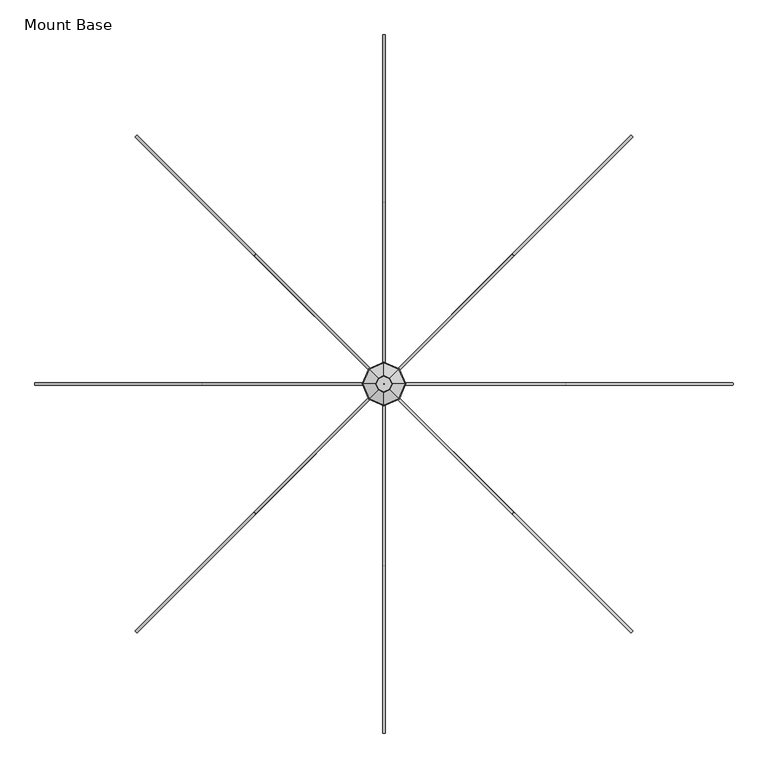
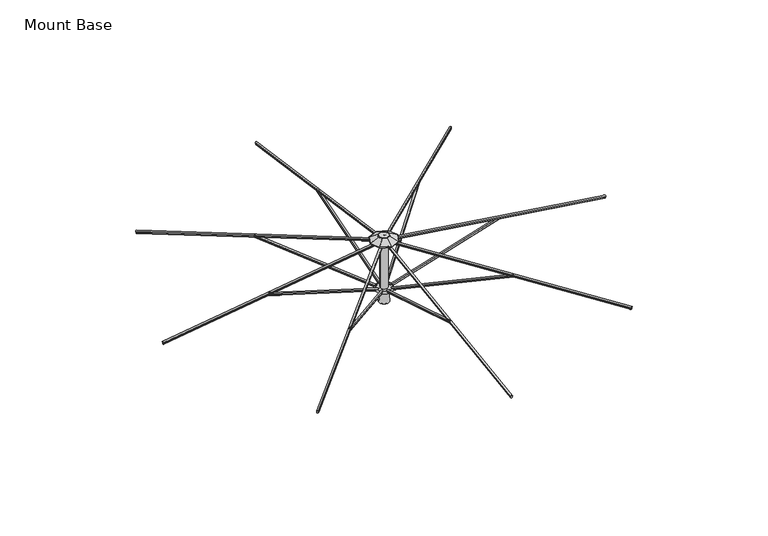
"""IFC4 building model written with IfcOpenShell, lengths in millimetres: furniture geometry, Mount Base."""

from ifc_helpers import new_model, si_unit, point, frame, frame_2d, origin, place, context, project, spatial, polyline, circle_curve, ellipse_curve, trimmed, segment, composite_curve, outline, extrude, source, transform, mapped, element, save
from ifc_brep_helpers import plane_surface, cylinder_surface, revolved_surface, advanced_brep


def mount_base_207df288(model_context):
    return source(origin(), model_context, "Body", "SolidModel", [
        extrude(outline(composite_curve([segment(polyline([(12.9834408, -8.4804821), (12.9834408, -22.8946348)]), True, "CONTINUOUS"), segment(trimmed(circle_curve(frame_2d((4.0299408, -22.8946348)), 8.9535), [point((12.9834408, -22.8946348))], [point((-4.9235592, -22.8946348))], False, "CARTESIAN"), True, "CONTINUOUS"), segment(polyline([(-4.9235592, -22.8946348), (-4.9235592, -8.4804821)]), True, "CONTINUOUS"), segment(trimmed(circle_curve(frame_2d((4.0299408, -8.4804821)), 8.9535), [point((-4.9235592, -8.4804821))], [point((12.9834408, -8.4804821))], False, "CARTESIAN"), True, "CONTINUOUS")], self_intersect=False)), frame((4.0299408, -80.7291366, 2210.4119042), z_axis=(0.0, -0.9556050341036998, 0.29465067248466775), x_axis=(-1.0, 0.0, 0.0)), (0.0, 0.0, 1.0), 1282.7),
        extrude(outline(composite_curve([segment(polyline([(12.9834408, -8.4804821), (12.9834408, -22.8946348)]), True, "CONTINUOUS"), segment(trimmed(circle_curve(frame_2d((4.0299408, -22.8946348)), 8.9535), [point((12.9834408, -22.8946348))], [point((-4.9235592, -22.8946348))], False, "CARTESIAN"), True, "CONTINUOUS"), segment(polyline([(-4.9235592, -22.8946348), (-4.9235592, -8.4804821)]), True, "CONTINUOUS"), segment(trimmed(circle_curve(frame_2d((4.0299408, -8.4804821)), 8.9535), [point((-4.9235592, -8.4804821))], [point((12.9834408, -8.4804821))], False, "CARTESIAN"), True, "CONTINUOUS")], self_intersect=False)), frame((-76.6991958, -8.0598816, 2210.4119042), z_axis=(-0.9556050341036998, 0.0, 0.2946506724846677), x_axis=(0.0, 1.0, 0.0)), (0.0, 0.0, 1.0), 1282.7),
        extrude(outline(composite_curve([segment(polyline([(12.9834408, -8.4804821), (12.9834408, -22.8946348)]), True, "CONTINUOUS"), segment(trimmed(circle_curve(frame_2d((4.0299408, -22.8946348)), 8.9535), [point((12.9834408, -22.8946348))], [point((-4.9235592, -22.8946348))], False, "CARTESIAN"), True, "CONTINUOUS"), segment(polyline([(-4.9235592, -22.8946348), (-4.9235592, -8.4804821)]), True, "CONTINUOUS"), segment(trimmed(circle_curve(frame_2d((4.0299408, -8.4804821)), 8.9535), [point((-4.9235592, -8.4804821))], [point((12.9834408, -8.4804821))], False, "CARTESIAN"), True, "CONTINUOUS")], self_intersect=False)), frame((-4.0299408, 72.669255, 2210.4119042), z_axis=(0.0, 0.9556050341036998, 0.29465067248466775), x_axis=(1.0, 0.0, 0.0)), (0.0, 0.0, 1.0), 1282.7),
        extrude(outline(composite_curve([segment(trimmed(circle_curve(frame_2d((4.0299408, 7.3267917)), 8.9535), [point((12.9834408, 7.3267917))], [point((-4.9235592, 7.3267917))], False, "CARTESIAN"), True, "CONTINUOUS"), segment(polyline([(-4.9235592, 7.3267917), (-4.9235592, 21.7411303)]), True, "CONTINUOUS"), segment(trimmed(circle_curve(frame_2d((4.0299408, 21.7411303)), 8.9535), [point((-4.9235592, 21.7411303))], [point((12.9834408, 21.7411303))], False, "CARTESIAN"), True, "CONTINUOUS"), segment(polyline([(12.9834408, 21.7411303), (12.9834408, 7.3267917)]), True, "CONTINUOUS")], self_intersect=False)), frame((4.0299408, -2484.9330303, 2419.0599415), z_axis=(0.0, 0.9898590532102846, 0.14205299988961545), x_axis=(-1.0, 0.0, 0.0)), (0.0, 0.0, 1.0), 2444.75),
        extrude(outline(composite_curve([segment(trimmed(circle_curve(frame_2d((4.0299408, 7.3267917)), 8.9535), [point((12.9834408, 7.3267917))], [point((-4.9235592, 7.3267917))], False, "CARTESIAN"), True, "CONTINUOUS"), segment(polyline([(-4.9235592, 7.3267917), (-4.9235592, 21.7411303)]), True, "CONTINUOUS"), segment(trimmed(circle_curve(frame_2d((4.0299408, 21.7411303)), 8.9535), [point((-4.9235592, 21.7411303))], [point((12.9834408, 21.7411303))], False, "CARTESIAN"), True, "CONTINUOUS"), segment(polyline([(12.9834408, 21.7411303), (12.9834408, 7.3267917)]), True, "CONTINUOUS")], self_intersect=False)), frame((-2480.9030895, -8.0598816, 2419.0599415), z_axis=(0.9898590532102846, 0.0, 0.14205299988961545), x_axis=(0.0, 1.0, 0.0)), (0.0, 0.0, 1.0), 2444.75),
        extrude(outline(composite_curve([segment(trimmed(circle_curve(frame_2d((4.0299408, 7.3267917)), 8.9535), [point((12.9834408, 7.3267917))], [point((-4.9235592, 7.3267917))], False, "CARTESIAN"), True, "CONTINUOUS"), segment(polyline([(-4.9235592, 7.3267917), (-4.9235592, 21.7411303)]), True, "CONTINUOUS"), segment(trimmed(circle_curve(frame_2d((4.0299408, 21.7411303)), 8.9535), [point((-4.9235592, 21.7411303))], [point((12.9834408, 21.7411303))], False, "CARTESIAN"), True, "CONTINUOUS"), segment(polyline([(12.9834408, 21.7411303), (12.9834408, 7.3267917)]), True, "CONTINUOUS")], self_intersect=False)), frame((-4.0299408, 2476.8731488, 2419.0599415), z_axis=(0.0, -0.9898590532102846, 0.14205299988961545), x_axis=(1.0, 0.0, 0.0)), (0.0, 0.0, 1.0), 2444.75),
        extrude(outline(composite_curve([segment(trimmed(circle_curve(frame_2d((4.0299408, 7.3267917)), 8.9535), [point((12.9834408, 7.3267917))], [point((-4.9235592, 7.3267917))], False, "CARTESIAN"), True, "CONTINUOUS"), segment(polyline([(-4.9235592, 7.3267917), (-4.9235592, 21.7411303)]), True, "CONTINUOUS"), segment(trimmed(circle_curve(frame_2d((4.0299408, 21.7411303)), 8.9535), [point((-4.9235592, 21.7411303))], [point((12.9834408, 21.7411303))], False, "CARTESIAN"), True, "CONTINUOUS"), segment(polyline([(12.9834408, 21.7411303), (12.9834408, 7.3267917)]), True, "CONTINUOUS")], self_intersect=False)), frame((2480.9030895, 0.0, 2419.0599415), z_axis=(-0.9898590532102846, 0.0, 0.14205299988961545), x_axis=(0.0, -1.0, 0.0)), (0.0, 0.0, 1.0), 2444.75),
        extrude(outline(composite_curve([segment(polyline([(12.9834408, -8.4804821), (12.9834408, -22.8946348)]), True, "CONTINUOUS"), segment(trimmed(circle_curve(frame_2d((4.0299408, -22.8946348)), 8.9535), [point((12.9834408, -22.8946348))], [point((-4.9235592, -22.8946348))], False, "CARTESIAN"), True, "CONTINUOUS"), segment(polyline([(-4.9235592, -22.8946348), (-4.9235592, -8.4804821)]), True, "CONTINUOUS"), segment(trimmed(circle_curve(frame_2d((4.0299408, -8.4804821)), 8.9535), [point((-4.9235592, -8.4804821))], [point((12.9834408, -8.4804821))], False, "CARTESIAN"), True, "CONTINUOUS")], self_intersect=False)), frame((76.6991958, 0.0, 2210.4119042), z_axis=(0.9556050341036998, 0.0, 0.2946506724846677), x_axis=(0.0, -1.0, 0.0)), (0.0, 0.0, 1.0), 1282.7),
        extrude(outline(composite_curve([segment(trimmed(circle_curve(frame_2d((-0.4115857, 9.2017124)), 8.947892), [point((8.536306, 9.199875))], [point((-9.3594776, 9.2035506))], False, "CARTESIAN"), True, "CONTINUOUS"), segment(polyline([(-9.3594776, 9.2035506), (-9.3565678, 23.3657902)]), True, "CONTINUOUS"), segment(trimmed(circle_curve(frame_2d((-0.4086767, 23.3654226)), 8.9478911), [point((-9.3565678, 23.3657902))], [point((8.5392145, 23.3654226))], False, "CARTESIAN"), True, "CONTINUOUS"), segment(polyline([(8.5392145, 23.3654226), (8.536306, 9.199875)]), True, "CONTINUOUS")], self_intersect=False)), frame((58.2980661, -62.348738, 2212.3287701), z_axis=(0.6758672167135574, -0.676107559448259, 0.29339746663662314), x_axis=(0.7072324735233164, 0.7069810665032633, 0.0)), (0.0, 0.0, 1.0), 1283.1344321),
        extrude(outline(composite_curve([segment(trimmed(circle_curve(frame_2d((-0.4115857, 9.2017124)), 8.947892), [point((8.536306, 9.1998752))], [point((-9.3594775, 9.2035508))], False, "CARTESIAN"), True, "CONTINUOUS"), segment(polyline([(-9.3594775, 9.2035508), (-9.3565674, 23.3657901)]), True, "CONTINUOUS"), segment(trimmed(circle_curve(frame_2d((-0.4086766, 23.3654226)), 8.9478908), [point((-9.3565674, 23.3657901))], [point((8.5392142, 23.3654226))], False, "CARTESIAN"), True, "CONTINUOUS"), segment(polyline([(8.5392142, 23.3654226), (8.536306, 9.1998752)]), True, "CONTINUOUS")], self_intersect=False)), frame((-58.3187972, -62.3280068, 2212.3287701), z_axis=(-0.6761075594482668, -0.6758672167135495, 0.2933974666366232), x_axis=(0.706981066503255, -0.7072324735233247, 0.0)), (0.0, 0.0, 1.0), 1283.1344321),
        extrude(outline(composite_curve([segment(trimmed(circle_curve(frame_2d((-0.4115858, 9.2017124)), 8.947892), [point((8.536306, 9.1998752))], [point((-9.3594776, 9.2035508))], False, "CARTESIAN"), True, "CONTINUOUS"), segment(polyline([(-9.3594776, 9.2035508), (-9.3565675, 23.3657902)]), True, "CONTINUOUS"), segment(trimmed(circle_curve(frame_2d((-0.4086767, 23.3654226)), 8.9478908), [point((-9.3565675, 23.3657902))], [point((8.5392142, 23.3654226))], False, "CARTESIAN"), True, "CONTINUOUS"), segment(polyline([(8.5392142, 23.3654226), (8.536306, 9.1998752)]), True, "CONTINUOUS")], self_intersect=False)), frame((-58.2980661, 54.2888564, 2212.3287701), z_axis=(-0.675867216713555, 0.6761075594482614, 0.29339746663662325), x_axis=(-0.707232473523319, -0.7069810665032608, 0.0)), (0.0, 0.0, 1.0), 1283.1344321),
        extrude(outline(composite_curve([segment(trimmed(circle_curve(frame_2d((-0.4115857, 9.2017124)), 8.947892), [point((8.536306, 9.1998752))], [point((-9.3594775, 9.2035508))], False, "CARTESIAN"), True, "CONTINUOUS"), segment(polyline([(-9.3594775, 9.2035508), (-9.3565674, 23.3657901)]), True, "CONTINUOUS"), segment(trimmed(circle_curve(frame_2d((-0.4086767, 23.3654226)), 8.9478908), [point((-9.3565674, 23.3657901))], [point((8.5392142, 23.3654226))], False, "CARTESIAN"), True, "CONTINUOUS"), segment(polyline([(8.5392142, 23.3654226), (8.536306, 9.1998752)]), True, "CONTINUOUS")], self_intersect=False)), frame((58.3187972, 54.2681253, 2212.3287701), z_axis=(0.6761075594482558, 0.6758672167135605, 0.2933974666366232), x_axis=(-0.7069810665032665, 0.7072324735233132, 0.0)), (0.0, 0.0, 1.0), 1283.1344321),
        extrude(outline(composite_curve([segment(trimmed(circle_curve(frame_2d((0.0454336, -8.9661607)), 8.9535016), [point((-8.9080678, -8.9644052))], [point((8.9989351, -8.9679162))], False, "CARTESIAN"), True, "CONTINUOUS"), segment(polyline([(8.9989351, -8.9679162), (8.9961218, -23.3170803)]), True, "CONTINUOUS"), segment(trimmed(circle_curve(frame_2d((0.0426202, -23.3153248)), 8.9535016), [point((8.9961218, -23.3170803))], [point((-8.9108812, -23.3135693))], False, "CARTESIAN"), True, "CONTINUOUS"), segment(polyline([(-8.9108812, -23.3135693), (-8.9080678, -8.9644052)]), True, "CONTINUOUS")], self_intersect=False)), frame((1761.9889707, -1766.4016804, 2417.9135687), z_axis=(-0.6999029446854343, 0.6999029446855121, 0.1423788468881768), x_axis=(0.7071067811865868, 0.7071067811865083, 0.0)), (0.0, 0.0, 1.0), 2451.1),
        extrude(outline(composite_curve([segment(trimmed(circle_curve(frame_2d((0.0454336, -8.9661607)), 8.9535016), [point((-8.9080678, -8.9644052))], [point((8.9989351, -8.9679162))], False, "CARTESIAN"), True, "CONTINUOUS"), segment(polyline([(8.9989351, -8.9679162), (8.9961216, -23.3170803)]), True, "CONTINUOUS"), segment(trimmed(circle_curve(frame_2d((0.0426202, -23.3153248)), 8.9535016), [point((8.9961216, -23.3170803))], [point((-8.9108812, -23.3135693))], False, "CARTESIAN"), True, "CONTINUOUS"), segment(polyline([(-8.9108812, -23.3135693), (-8.9080678, -8.9644052)]), True, "CONTINUOUS")], self_intersect=False)), frame((-1762.3717396, -1766.0189115, 2417.9135687), z_axis=(0.6999029446855203, 0.6999029446854261, 0.1423788468881768), x_axis=(0.7071067811864999, -0.7071067811865951, 0.0)), (0.0, 0.0, 1.0), 2451.1),
        extrude(outline(composite_curve([segment(trimmed(circle_curve(frame_2d((0.0454336, -8.9661607)), 8.9535016), [point((-8.9080678, -8.9644052))], [point((8.9989351, -8.9679162))], False, "CARTESIAN"), True, "CONTINUOUS"), segment(polyline([(8.9989351, -8.9679162), (8.9961217, -23.3170803)]), True, "CONTINUOUS"), segment(trimmed(circle_curve(frame_2d((0.0426202, -23.3153248)), 8.9535016), [point((8.9961217, -23.3170803))], [point((-8.9108812, -23.3135693))], False, "CARTESIAN"), True, "CONTINUOUS"), segment(polyline([(-8.9108812, -23.3135693), (-8.9080678, -8.9644052)]), True, "CONTINUOUS")], self_intersect=False)), frame((-1761.9889707, 1758.3417988, 2417.9135687), z_axis=(0.6999029446854318, -0.6999029446855146, 0.14237884688817684), x_axis=(-0.7071067811865894, -0.7071067811865057, 0.0)), (0.0, 0.0, 1.0), 2451.1),
        extrude(outline(composite_curve([segment(trimmed(circle_curve(frame_2d((0.0454336, -8.9661607)), 8.9535016), [point((-8.9080678, -8.9644052))], [point((8.9989351, -8.9679162))], False, "CARTESIAN"), True, "CONTINUOUS"), segment(polyline([(8.9989351, -8.9679162), (8.9961217, -23.3170803)]), True, "CONTINUOUS"), segment(trimmed(circle_curve(frame_2d((0.0426203, -23.3153248)), 8.9535016), [point((8.9961217, -23.3170803))], [point((-8.9108812, -23.3135693))], False, "CARTESIAN"), True, "CONTINUOUS"), segment(polyline([(-8.9108812, -23.3135693), (-8.9080678, -8.9644052)]), True, "CONTINUOUS")], self_intersect=False)), frame((1762.3717396, 1757.9590299, 2417.9135687), z_axis=(-0.6999029446855088, -0.6999029446854376, 0.14237884688817687), x_axis=(-0.7071067811865115, 0.7071067811865835, 0.0)), (0.0, 0.0, 1.0), 2451.1),
        advanced_brep(
        [(-40.867282, -4.0299408, 2769.6161201), (40.867282, -4.0299408, 2769.6161201), (40.867282, -4.0299408, 2232.882312), (-40.867282, -4.0299408, 2232.882312), (0.0, -4.0299408, 2769.6161201), (0.0, -4.0299408, 2232.882312)],
        [
            (0, 1, circle_curve(frame((0.0, -4.0299408, 2769.6161201), z_axis=(0.0, 0.0, -1.0), x_axis=(1.0, 0.0, 0.0)), 40.867282)),
            (1, 2),
            (2, 3, circle_curve(frame((0.0, -4.0299408, 2232.882312), z_axis=(0.0, 0.0, 1.0), x_axis=(1.0, 0.0, 0.0)), 40.867282)),
            (3, 0),
            (1, 0, circle_curve(frame((0.0, -4.0299408, 2769.6161201), z_axis=(0.0, 0.0, -1.0), x_axis=(1.0, 0.0, 0.0)), 40.867282)),
            (3, 2, circle_curve(frame((0.0, -4.0299408, 2232.882312), z_axis=(0.0, 0.0, 1.0), x_axis=(1.0, 0.0, 0.0)), 40.867282)),
            (4, 1),
            (0, 4),
            (2, 5),
            (5, 3),
        ],
        [
            cylinder_surface(frame((0.0, -4.0299408, 3150.6159748), z_axis=(0.0, 0.0, 1.0), x_axis=(1.0, 0.0, 0.0)), 40.867282),
            plane_surface(frame((0.0, -4.0299408, 2769.6161201), z_axis=(0.0, 0.0, 1.0), x_axis=(1.0, 0.0, 0.0))),
            plane_surface(frame((0.0, -4.0299408, 2232.882312), z_axis=(0.0, 0.0, -1.0), x_axis=(1.0, 0.0, 0.0))),
        ],
        [
            (0, [[1, 2, 3, 4]]),
            (0, [[5, -4, 6, -2]]),
            (1, [[7, -1, 8]]),
            (1, [[-8, -5, -7]]),
            (2, [[-3, 9, 10]]),
            (2, [[-6, -10, -9]]),
        ],
    ),
        advanced_brep(
        [(-50.392282, -4.0299408, 2063.7500484), (50.392282, -4.0299408, 2063.7500484), (0.0, -4.0299408, 2063.7500484), (-58.2510683, -4.0299408, 2070.0999516), (58.2510683, -4.0299408, 2070.0999516), (-44.8554107, -4.0299408, 2190.75), (44.8554107, -4.0299408, 2190.75), (-50.392282, -4.0299408, 2190.75), (50.392282, -4.0299408, 2190.75), (-84.9629952, -4.0299408, 2233.8982384), (84.9629952, -4.0299408, 2233.8982384), (84.9629952, -4.0299408, 2208.4981899), (-84.9629952, -4.0299408, 2208.4981899), (0.0, -4.0299408, 2233.8982384), (-58.1051788, -4.0299408, 2208.4981899), (58.1051788, -4.0299408, 2208.4981899)],
        [
            (0, 1, circle_curve(frame((0.0, -4.0299408, 2063.7500484), z_axis=(0.0, 0.0, -1.0), x_axis=(1.0, 0.0, 0.0)), 50.392282)),
            (1, 2),
            (2, 0),
            (1, 0, circle_curve(frame((0.0, -4.0299408, 2063.7500484), z_axis=(0.0, 0.0, -1.0), x_axis=(1.0, 0.0, 0.0)), 50.392282)),
            (3, 4, circle_curve(frame((0.0, -4.0299408, 2070.0999516), z_axis=(0.0, 0.0, -1.0), x_axis=(1.0, 0.0, 0.0)), 58.2510683)),
            (4, 1),
            (0, 3),
            (4, 3, circle_curve(frame((0.0, -4.0299408, 2070.0999516), z_axis=(0.0, 0.0, -1.0), x_axis=(1.0, 0.0, 0.0)), 58.2510683)),
            (5, 6, circle_curve(frame((0.0, -4.0299408, 2190.75), z_axis=(0.0, 0.0, -1.0), x_axis=(1.0, 0.0, 0.0)), 44.8554107)),
            (6, 4),
            (3, 5),
            (6, 5, circle_curve(frame((0.0, -4.0299408, 2190.75), z_axis=(0.0, 0.0, -1.0), x_axis=(1.0, 0.0, 0.0)), 44.8554107)),
            (7, 8, circle_curve(frame((0.0, -4.0299408, 2190.75), z_axis=(0.0, 0.0, -1.0), x_axis=(1.0, 0.0, 0.0)), 50.392282)),
            (8, 6),
            (5, 7),
            (8, 7, circle_curve(frame((0.0, -4.0299408, 2190.75), z_axis=(0.0, 0.0, -1.0), x_axis=(1.0, 0.0, 0.0)), 50.392282)),
            (9, 10, circle_curve(frame((0.0, -4.0299408, 2233.8982384), z_axis=(0.0, 0.0, -1.0), x_axis=(1.0, 0.0, 0.0)), 84.9629952)),
            (10, 11, circle_curve(frame((84.9629952, -4.0299408, 2221.1982141), z_axis=(0.0, 1.0, 0.0), x_axis=(1.0, 0.0, 0.0)), 12.7000242)),
            (11, 12, circle_curve(frame((0.0, -4.0299408, 2208.4981899), z_axis=(0.0, 0.0, 1.0), x_axis=(1.0, 0.0, 0.0)), 84.9629952)),
            (12, 9, circle_curve(frame((-84.9629952, -4.0299408, 2221.1982141), z_axis=(0.0, 1.0, 0.0), x_axis=(-1.0, 0.0, 0.0)), 12.7000242)),
            (10, 9, circle_curve(frame((0.0, -4.0299408, 2233.8982384), z_axis=(0.0, 0.0, -1.0), x_axis=(1.0, 0.0, 0.0)), 84.9629952)),
            (12, 11, circle_curve(frame((0.0, -4.0299408, 2208.4981899), z_axis=(0.0, 0.0, 1.0), x_axis=(1.0, 0.0, 0.0)), 84.9629952)),
            (13, 10),
            (9, 13),
            (14, 15, circle_curve(frame((0.0, -4.0299408, 2208.4981899), z_axis=(0.0, 0.0, -1.0), x_axis=(1.0, 0.0, 0.0)), 58.1051788)),
            (15, 8, circle_curve(frame((42.9743198, -4.0299408, 2204.5236574), z_axis=(0.0, 1.0, 0.0), x_axis=(1.0, 0.0, 0.0)), 15.6441619)),
            (7, 14, circle_curve(frame((-42.9743198, -4.0299408, 2204.5236574), z_axis=(0.0, 1.0, 0.0), x_axis=(-1.0, 0.0, 0.0)), 15.6441619)),
            (15, 14, circle_curve(frame((0.0, -4.0299408, 2208.4981899), z_axis=(0.0, 0.0, -1.0), x_axis=(1.0, 0.0, 0.0)), 58.1051788)),
            (11, 15),
            (14, 12),
        ],
        [
            plane_surface(frame((0.0, -4.0299408, 2063.7500484), z_axis=(0.0, 0.0, -1.0), x_axis=(1.0, 0.0, 0.0))),
            revolved_surface(polyline([(50.392282, -4.0299408, 2063.7500484), (58.2510683, -4.0299408, 2070.0999516)]), (0.0, -4.0299408, 2515.3193844), (0.0, 0.0, 1.0)),
            revolved_surface(polyline([(58.2510683, -4.0299408, 2070.0999516), (44.8554107, -4.0299408, 2190.75)]), (0.0, -4.0299408, 2515.3193844), (0.0, 0.0, 1.0)),
            plane_surface(frame((0.0, -4.0299408, 2190.75), z_axis=(0.0, 0.0, -1.0), x_axis=(1.0, 0.0, 0.0))),
            revolved_surface(trimmed(ellipse_curve(frame((84.9629952, -4.0299408, 2221.1982141), z_axis=(0.0, -1.0, 0.0), x_axis=(1.0, 0.0, 0.0)), 12.7000242, 12.7000242), [point((84.9629952, -4.0299408, 2208.4981899))], [point((84.9629952, -4.0299408, 2233.8982384))], True, "CARTESIAN"), (0.0, -4.0299408, 2515.3193844), (0.0, 0.0, 1.0)),
            plane_surface(frame((0.0, -4.0299408, 2233.8982384), z_axis=(0.0, 0.0, 1.0), x_axis=(1.0, 0.0, 0.0))),
            revolved_surface(trimmed(ellipse_curve(frame((42.9743198, -4.0299408, 2204.5236574), z_axis=(0.0, -1.0, 0.0), x_axis=(1.0, 0.0, 0.0)), 15.6441619, 15.6441619), [point((50.392282, -4.0299408, 2190.75))], [point((58.1051788, -4.0299408, 2208.4981899))], True, "CARTESIAN"), (0.0, -4.0299408, 2515.3193844), (0.0, 0.0, 1.0)),
            plane_surface(frame((0.0, -4.0299408, 2208.4981899), z_axis=(0.0, 0.0, -1.0), x_axis=(1.0, 0.0, 0.0))),
        ],
        [
            (0, [[1, 2, 3]]),
            (0, [[4, -3, -2]]),
            (1, [[5, 6, -1, 7]]),
            (1, [[8, -7, -4, -6]]),
            (2, [[9, 10, -5, 11]]),
            (2, [[12, -11, -8, -10]]),
            (3, [[13, 14, -9, 15]]),
            (3, [[16, -15, -12, -14]]),
            (4, [[17, 18, 19, 20]]),
            (4, [[21, -20, 22, -18]]),
            (5, [[23, -17, 24]]),
            (5, [[-24, -21, -23]]),
            (6, [[25, 26, -13, 27]]),
            (6, [[28, -27, -16, -26]]),
            (7, [[-19, 29, -25, 30]]),
            (7, [[-22, -30, -28, -29]]),
        ],
    ),
        advanced_brep(
        [(-85.1305547, -4.0299408, 2768.6), (85.1305547, -4.0299408, 2768.6), (0.0, -4.0299408, 2768.6), (-85.1305547, -4.0299408, 2794.0), (85.1305547, -4.0299408, 2794.0), (0.0, -4.0299408, 2794.0)],
        [
            (0, 1, circle_curve(frame((0.0, -4.0299408, 2768.6), z_axis=(0.0, 0.0, -1.0), x_axis=(1.0, 0.0, 0.0)), 85.1305547)),
            (1, 2),
            (2, 0),
            (1, 0, circle_curve(frame((0.0, -4.0299408, 2768.6), z_axis=(0.0, 0.0, -1.0), x_axis=(1.0, 0.0, 0.0)), 85.1305547)),
            (3, 4, circle_curve(frame((0.0, -4.0299408, 2794.0), z_axis=(0.0, 0.0, -1.0), x_axis=(1.0, 0.0, 0.0)), 85.1305547)),
            (4, 1, circle_curve(frame((85.1305547, -4.0299408, 2781.3), z_axis=(0.0, 1.0, 0.0), x_axis=(1.0, 0.0, 0.0)), 12.7)),
            (0, 3, circle_curve(frame((-85.1305547, -4.0299408, 2781.3), z_axis=(0.0, 1.0, 0.0), x_axis=(-1.0, 0.0, 0.0)), 12.7)),
            (4, 3, circle_curve(frame((0.0, -4.0299408, 2794.0), z_axis=(0.0, 0.0, -1.0), x_axis=(1.0, 0.0, 0.0)), 85.1305547)),
            (5, 4),
            (3, 5),
        ],
        [
            plane_surface(frame((0.0, -4.0299408, 2768.6), z_axis=(0.0, 0.0, -1.0), x_axis=(1.0, 0.0, 0.0))),
            revolved_surface(trimmed(ellipse_curve(frame((85.1305547, -4.0299408, 2781.3), z_axis=(0.0, -1.0, 0.0), x_axis=(1.0, 0.0, 0.0)), 12.7, 12.7), [point((85.1305547, -4.0299408, 2768.6))], [point((85.1305547, -4.0299408, 2794.0))], True, "CARTESIAN"), (0.0, -4.0299408, 2520.9500484), (0.0, 0.0, 1.0)),
            plane_surface(frame((0.0, -4.0299408, 2794.0), z_axis=(0.0, 0.0, 1.0), x_axis=(1.0, 0.0, 0.0))),
        ],
        [
            (0, [[1, 2, 3]]),
            (0, [[4, -3, -2]]),
            (1, [[5, 6, -1, 7]]),
            (1, [[8, -7, -4, -6]]),
            (2, [[9, -5, 10]]),
            (2, [[-10, -8, -9]]),
        ],
    ),
        advanced_brep(
        [(54.1349752, -4.0299408, 2849.0042976), (37.769035, 33.7390942, 2849.0042976), (0.0, 50.1050344, 2849.0042976), (-37.769035, 33.7390942, 2849.0042976), (-54.1349752, -4.0299408, 2849.0042976), (-37.769035, -41.7989758, 2849.0042976), (0.0, -58.164916, 2849.0042976), (37.769035, -41.7989758, 2849.0042976), (-0.2799193, -3.7500215, 2849.0042976), (0.0, -3.6287279, 2849.0042976), (0.2799193, -3.7500215, 2849.0042976), (0.4012128, -4.0299408, 2849.0042976), (0.2799193, -4.30986, 2849.0042976), (0.0, -4.4311536, 2849.0042976), (-0.2799193, -4.30986, 2849.0042976), (-0.4012128, -4.0299408, 2849.0042976), (-21.7226171, 17.6926764, 2834.4319313), (0.0, 27.1054415, 2834.4319313), (21.7226171, 17.6926764, 2834.4319313), (31.1353822, -4.0299408, 2834.4319313), (21.7226171, -25.7525579, 2834.4319313), (0.0, -35.165323, 2834.4319313), (-21.7226171, -25.7525579, 2834.4319313), (-31.1353822, -4.0299408, 2834.4319313), (0.4012128, -4.0299408, 2834.4319313), (0.2799193, -3.7500215, 2834.4319313), (0.0, -3.6287279, 2834.4319313), (-0.2799193, -3.7500215, 2834.4319313), (-0.4012128, -4.0299408, 2834.4319313), (-0.2799193, -4.30986, 2834.4319313), (0.0, -4.4311536, 2834.4319313), (0.2799193, -4.30986, 2834.4319313), (-105.0435454, 101.0136047, 2795.671529), (-150.5606308, -4.0299408, 2795.671529), (-106.4167753, 102.3868345, 2799.6273858), (-152.5289035, -4.0299408, 2799.6273858), (-42.5385208, 38.50858, 2847.3471364), (-60.9711572, -4.0299408, 2847.3471364), (-105.0435454, -109.0734862, 2795.671529), (-106.4167753, -110.4467161, 2799.6273858), (-42.5385208, -46.5684616, 2847.3471364), (0.0, -154.5905715, 2795.671529), (0.0, -156.5588443, 2799.6273858), (0.0, -65.001098, 2847.3471364), (105.0435454, -109.0734862, 2795.671529), (106.4167753, -110.4467161, 2799.6273858), (42.5385208, -46.5684616, 2847.3471364), (150.5606308, -4.0299408, 2795.671529), (152.5289035, -4.0299408, 2799.6273858), (60.9711572, -4.0299408, 2847.3471364), (105.0435454, 101.0136047, 2795.671529), (106.4167753, 102.3868345, 2799.6273858), (42.5385208, 38.50858, 2847.3471364), (0.0, 146.53069, 2795.671529), (0.0, 148.4989628, 2799.6273858), (0.0, 56.9412164, 2847.3471364)],
        [
            (0, 1),
            (1, 2),
            (2, 3),
            (3, 4),
            (4, 5),
            (5, 6),
            (6, 7),
            (7, 0),
            (8, 9),
            (9, 10),
            (10, 11),
            (11, 12),
            (12, 13),
            (13, 14),
            (14, 15),
            (15, 8),
            (16, 17),
            (17, 18),
            (18, 19),
            (19, 20),
            (20, 21),
            (21, 22),
            (22, 23),
            (23, 16),
            (24, 25),
            (25, 26),
            (26, 27),
            (27, 28),
            (28, 29),
            (29, 30),
            (30, 31),
            (31, 24),
            (27, 8),
            (15, 28),
            (14, 29),
            (13, 30),
            (12, 31),
            (11, 24),
            (10, 25),
            (9, 26),
            (32, 16),
            (23, 33),
            (33, 32),
            (34, 32, ellipse_curve(frame((-105.5970199, 101.5670791, 2797.7293979), z_axis=(-0.7071067811865479, -0.707106781186547, 0.0), x_axis=(-0.7071067811865467, 0.7071067811865482, 0.0)), 2.3472226, 2.1828125)),
            (33, 35, ellipse_curve(frame((-151.3539348, -4.0299408, 2797.7293979), z_axis=(0.0, 0.9999999999999999, 0.0), x_axis=(1.0, 0.0, 0.0)), 2.3789282, 2.1828125)),
            (35, 34),
            (36, 34),
            (35, 37),
            (37, 36),
            (3, 36, ellipse_curve(frame((-37.769035, 33.7390942, 2836.3042976), z_axis=(-0.7071067811865479, -0.707106781186547, 0.0), x_axis=(-0.7071067811865467, 0.7071067811865482, 0.0)), 13.656568, 12.7)),
            (37, 4, ellipse_curve(frame((-54.1349752, -4.0299408, 2836.3042976), z_axis=(0.0, 0.9999999999999999, 0.0), x_axis=(1.0, 0.0, 0.0)), 13.8410369, 12.7)),
            (22, 38),
            (38, 33),
            (38, 39, ellipse_curve(frame((-105.5970199, -109.6269607, 2797.7293979), z_axis=(-0.707106781186547, 0.707106781186548, 0.0), x_axis=(0.7071067811865479, 0.707106781186547, 0.0)), 2.3472226, 2.1828125)),
            (39, 35),
            (39, 40),
            (40, 37),
            (40, 5, ellipse_curve(frame((-37.769035, -41.7989758, 2836.3042976), z_axis=(-0.707106781186547, 0.707106781186548, 0.0), x_axis=(0.7071067811865479, 0.707106781186547, 0.0)), 13.656568, 12.7)),
            (21, 41),
            (41, 38),
            (41, 42, ellipse_curve(frame((0.0, -155.3838756, 2797.7293979), z_axis=(-0.9999999999999999, 0.0, 0.0), x_axis=(0.0, 1.0, 0.0)), 2.3789282, 2.1828125)),
            (42, 39),
            (42, 43),
            (43, 40),
            (43, 6, ellipse_curve(frame((0.0, -58.164916, 2836.3042976), z_axis=(-0.9999999999999999, 0.0, 0.0), x_axis=(0.0, 1.0, 0.0)), 13.8410369, 12.7)),
            (20, 44),
            (44, 41),
            (44, 45, ellipse_curve(frame((105.5970199, -109.6269607, 2797.7293979), z_axis=(-0.707106781186548, -0.707106781186547, 0.0), x_axis=(-0.7071067811865469, 0.7071067811865481, 0.0)), 2.3472226, 2.1828125)),
            (45, 42),
            (45, 46),
            (46, 43),
            (46, 7, ellipse_curve(frame((37.769035, -41.7989758, 2836.3042976), z_axis=(-0.707106781186548, -0.707106781186547, 0.0), x_axis=(-0.7071067811865469, 0.7071067811865481, 0.0)), 13.656568, 12.7)),
            (19, 47),
            (47, 44),
            (47, 48, ellipse_curve(frame((151.3539348, -4.0299408, 2797.7293979), z_axis=(0.0, -1.0, 0.0), x_axis=(-1.0, 0.0, 0.0)), 2.3789282, 2.1828125)),
            (48, 45),
            (48, 49),
            (49, 46),
            (49, 0, ellipse_curve(frame((54.1349752, -4.0299408, 2836.3042976), z_axis=(0.0, -1.0, 0.0), x_axis=(-1.0, 0.0, 0.0)), 13.8410369, 12.7)),
            (18, 50),
            (50, 47),
            (50, 51, ellipse_curve(frame((105.5970199, 101.5670791, 2797.7293979), z_axis=(0.707106781186547, -0.707106781186548, 0.0), x_axis=(-0.7071067811865478, -0.7071067811865471, 0.0)), 2.3472226, 2.1828125)),
            (51, 48),
            (51, 52),
            (52, 49),
            (52, 1, ellipse_curve(frame((37.769035, 33.7390942, 2836.3042976), z_axis=(0.707106781186547, -0.707106781186548, 0.0), x_axis=(-0.7071067811865478, -0.7071067811865471, 0.0)), 13.656568, 12.7)),
            (17, 53),
            (53, 50),
            (53, 54, ellipse_curve(frame((0.0, 147.323994, 2797.7293979), z_axis=(0.9999999999999999, 0.0, 0.0), x_axis=(0.0, -1.0, 0.0)), 2.3789282, 2.1828125)),
            (54, 51),
            (54, 55),
            (55, 52),
            (55, 2, ellipse_curve(frame((0.0, 50.1050344, 2836.3042976), z_axis=(0.9999999999999999, 0.0, 0.0), x_axis=(0.0, -1.0, 0.0)), 13.8410369, 12.7)),
            (32, 53),
            (34, 54),
            (36, 55),
        ],
        [
            plane_surface(frame((0.0, 50.1050344, 2849.0042976), z_axis=(0.0, 0.0, 1.0), x_axis=(-0.9175613115760062, -0.39759431522460087, 0.0))),
            plane_surface(frame((0.0, -3.6287279, 2834.4319313), z_axis=(0.0, 0.0, -1.0), x_axis=(-0.9175613115759799, -0.3975943152246617, 0.0))),
            plane_surface(frame((-0.2799193, -3.7500215, 2849.0042976), z_axis=(0.9175613115760058, -0.39759431522460187, 0.0), x_axis=(-0.39759431522460187, -0.9175613115760058, 0.0))),
            plane_surface(frame((-0.4012128, -4.0299408, 2849.0042976), z_axis=(0.917561311576045, 0.39759431522451116, 0.0), x_axis=(0.39759431522451116, -0.917561311576045, 0.0))),
            plane_surface(frame((-0.2799193, -4.30986, 2849.0042976), z_axis=(0.3975943152244486, 0.9175613115760722, 0.0), x_axis=(0.9175613115760722, -0.3975943152244486, 0.0))),
            plane_surface(frame((0.0, -4.4311536, 2849.0042976), z_axis=(-0.3975943152245057, 0.9175613115760475, 0.0), x_axis=(0.9175613115760475, 0.3975943152245057, 0.0))),
            plane_surface(frame((0.2799193, -4.30986, 2849.0042976), z_axis=(-0.9175613115760574, 0.39759431522448274, 0.0), x_axis=(0.39759431522448274, 0.9175613115760574, 0.0))),
            plane_surface(frame((0.4012128, -4.0299408, 2849.0042976), z_axis=(-0.9175613115760489, -0.3975943152245024, 0.0), x_axis=(-0.3975943152245024, 0.9175613115760489, 0.0))),
            plane_surface(frame((0.2799193, -3.7500215, 2849.0042976), z_axis=(-0.39759431522452426, -0.9175613115760395, 0.0), x_axis=(-0.9175613115760395, 0.39759431522452426, 0.0))),
            plane_surface(frame((0.0, -3.6287279, 2849.0042976), z_axis=(0.3975943152245823, -0.9175613115760143, 0.0), x_axis=(-0.9175613115760143, -0.3975943152245823, 0.0))),
            plane_surface(frame((-21.7226171, 17.6926764, 2834.4319313), z_axis=(0.305980257074889, -0.13258624709773503, -0.942760292630594), x_axis=(-0.3975943152246019, -0.9175613115760057, 0.0))),
            cylinder_surface(frame((-105.3868278, 102.0521569, 2797.7293979), z_axis=(0.3975943152246023, 0.9175613115760056, 0.0), x_axis=(0.9175613115760056, -0.3975943152246023, 0.0)), 2.1828125),
            plane_surface(frame((-106.4167753, 102.3868345, 2799.6273858), z_axis=(-0.4531897511041164, 0.1963745272210286, 0.8695148616055431), x_axis=(-0.3975943152246022, -0.9175613115760056, 0.0))),
            cylinder_surface(frame((-23.5363618, 66.5850121, 2836.3042976), z_axis=(0.3975943152246023, 0.9175613115760056, 0.0), x_axis=(0.9175613115760056, -0.3975943152246023, 0.0)), 12.7),
            plane_surface(frame((-31.1353822, -4.0299408, 2834.4319313), z_axis=(0.30598025707488924, 0.13258624709773437, -0.942760292630594), x_axis=(0.3975943152246, -0.9175613115760066, 0.0))),
            cylinder_surface(frame((-151.5843032, -3.4983005, 2797.7293979), z_axis=(-0.39759431522459965, 0.9175613115760068, 0.0), x_axis=(0.9175613115760068, 0.39759431522459965, 0.0)), 2.1828125),
            plane_surface(frame((-152.5289035, -4.0299408, 2799.6273858), z_axis=(-0.4531897511041169, -0.1963745272210273, 0.8695148616055431), x_axis=(0.39759431522459965, -0.9175613115760067, 0.0))),
            cylinder_surface(frame((-69.7338373, 31.9688443, 2836.3042976), z_axis=(-0.39759431522459965, 0.9175613115760068, 0.0), x_axis=(0.9175613115760068, 0.39759431522459965, 0.0)), 12.7),
            plane_surface(frame((-21.7226171, -25.7525579, 2834.4319313), z_axis=(0.13258624709773464, 0.3059802570748891, -0.942760292630594), x_axis=(0.9175613115760062, -0.39759431522460087, 0.0))),
            cylinder_surface(frame((-106.0820977, -109.4167685, 2797.7293979), z_axis=(-0.9175613115760063, 0.3975943152246009, 0.0), x_axis=(0.3975943152246009, 0.9175613115760063, 0.0)), 2.1828125),
            plane_surface(frame((-106.4167753, -110.4467161, 2799.6273858), z_axis=(-0.19637452722102794, -0.4531897511041165, 0.869514861605543), x_axis=(0.9175613115760062, -0.39759431522460104, 0.0))),
            cylinder_surface(frame((-70.6149529, -27.5663026, 2836.3042976), z_axis=(-0.9175613115760063, 0.3975943152246009, 0.0), x_axis=(0.3975943152246009, 0.9175613115760063, 0.0)), 12.7),
            plane_surface(frame((0.0, -35.165323, 2834.4319313), z_axis=(-0.13258624709773467, 0.3059802570748891, -0.9427602926305942), x_axis=(0.9175613115760063, 0.3975943152246009, 0.0))),
            cylinder_surface(frame((-0.5316403, -155.614244, 2797.7293979), z_axis=(-0.9175613115760062, -0.3975943152246011, 0.0), x_axis=(-0.3975943152246011, 0.9175613115760062, 0.0)), 2.1828125),
            plane_surface(frame((0.0, -156.5588443, 2799.6273858), z_axis=(0.196374527221028, -0.4531897511041165, 0.869514861605543), x_axis=(0.9175613115760061, 0.3975943152246011, 0.0))),
            cylinder_surface(frame((-35.9987851, -73.763778, 2836.3042976), z_axis=(-0.9175613115760062, -0.3975943152246011, 0.0), x_axis=(-0.3975943152246011, 0.9175613115760062, 0.0)), 12.7),
            plane_surface(frame((21.7226171, -25.7525579, 2834.4319313), z_axis=(-0.30598025707488874, 0.13258624709773545, -0.9427602926305942), x_axis=(0.39759431522460326, 0.9175613115760053, 0.0))),
            cylinder_surface(frame((105.3868278, -110.1120385, 2797.7293979), z_axis=(-0.3975943152246023, -0.9175613115760057, 0.0), x_axis=(-0.9175613115760057, 0.3975943152246023, 0.0)), 2.1828125),
            plane_surface(frame((106.4167753, -110.4467161, 2799.6273858), z_axis=(0.4531897511041163, -0.19637452722102866, 0.8695148616055433), x_axis=(0.3975943152246024, 0.9175613115760056, 0.0))),
            cylinder_surface(frame((23.5363618, -74.6448937, 2836.3042976), z_axis=(-0.3975943152246023, -0.9175613115760057, 0.0), x_axis=(-0.9175613115760057, 0.3975943152246023, 0.0)), 12.7),
            plane_surface(frame((31.1353822, -4.0299408, 2834.4319313), z_axis=(-0.3059802570748892, -0.1325862470977343, -0.9427602926305942), x_axis=(-0.3975943152245999, 0.9175613115760067, 0.0))),
            cylinder_surface(frame((151.5843032, -4.561581, 2797.7293979), z_axis=(0.39759431522459965, -0.9175613115760066, 0.0), x_axis=(-0.9175613115760066, -0.39759431522459965, 0.0)), 2.1828125),
            plane_surface(frame((152.5289035, -4.0299408, 2799.6273858), z_axis=(0.45318975110411686, 0.19637452722102725, 0.8695148616055433), x_axis=(-0.3975943152245996, 0.9175613115760067, 0.0))),
            cylinder_surface(frame((69.7338373, -40.0287259, 2836.3042976), z_axis=(0.39759431522459965, -0.9175613115760066, 0.0), x_axis=(-0.9175613115760066, -0.39759431522459965, 0.0)), 12.7),
            plane_surface(frame((21.7226171, 17.6926764, 2834.4319313), z_axis=(-0.13258624709773462, -0.30598025707488896, -0.9427602926305941), x_axis=(-0.9175613115760062, 0.3975943152246009, 0.0))),
            cylinder_surface(frame((106.0820977, 101.356887, 2797.7293979), z_axis=(0.9175613115760062, -0.3975943152246008, 0.0), x_axis=(-0.3975943152246008, -0.9175613115760062, 0.0)), 2.1828125),
            plane_surface(frame((106.4167753, 102.3868345, 2799.6273858), z_axis=(0.19637452722102788, 0.45318975110411647, 0.8695148616055431), x_axis=(-0.9175613115760062, 0.3975943152246009, 0.0))),
            cylinder_surface(frame((70.6149529, 19.506421, 2836.3042976), z_axis=(0.9175613115760062, -0.3975943152246008, 0.0), x_axis=(-0.3975943152246008, -0.9175613115760062, 0.0)), 12.7),
            plane_surface(frame((0.0, 27.1054415, 2834.4319313), z_axis=(0.13258624709773484, -0.30598025707488885, -0.9427602926305942), x_axis=(-0.917561311576006, -0.3975943152246016, 0.0))),
            cylinder_surface(frame((0.5316403, 147.5543624, 2797.7293979), z_axis=(0.9175613115760061, 0.39759431522460115, 0.0), x_axis=(0.39759431522460115, -0.9175613115760061, 0.0)), 2.1828125),
            plane_surface(frame((0.0, 148.4989628, 2799.6273858), z_axis=(-0.19637452722102794, 0.4531897511041165, 0.869514861605543), x_axis=(-0.9175613115760062, -0.39759431522460104, 0.0))),
            cylinder_surface(frame((35.9987851, 65.7038965, 2836.3042976), z_axis=(0.9175613115760061, 0.39759431522460115, 0.0), x_axis=(0.39759431522460115, -0.9175613115760061, 0.0)), 12.7),
        ],
        [
            (0, [[1, 2, 3, 4, 5, 6, 7, 8], [9, 10, 11, 12, 13, 14, 15, 16]]),
            (1, [[17, 18, 19, 20, 21, 22, 23, 24], [25, 26, 27, 28, 29, 30, 31, 32]]),
            (2, [[33, -16, 34, -28]]),
            (3, [[-34, -15, 35, -29]]),
            (4, [[-35, -14, 36, -30]]),
            (5, [[-36, -13, 37, -31]]),
            (6, [[-37, -12, 38, -32]]),
            (7, [[-38, -11, 39, -25]]),
            (8, [[-39, -10, 40, -26]]),
            (9, [[-40, -9, -33, -27]]),
            (10, [[41, -24, 42, 43]]),
            (11, [[44, -43, 45, 46]]),
            (12, [[47, -46, 48, 49]]),
            (13, [[50, -49, 51, -4]]),
            (14, [[-42, -23, 52, 53]]),
            (15, [[-45, -53, 54, 55]]),
            (16, [[-48, -55, 56, 57]]),
            (17, [[-51, -57, 58, -5]]),
            (18, [[-52, -22, 59, 60]]),
            (19, [[-54, -60, 61, 62]]),
            (20, [[-56, -62, 63, 64]]),
            (21, [[-58, -64, 65, -6]]),
            (22, [[-59, -21, 66, 67]]),
            (23, [[-61, -67, 68, 69]]),
            (24, [[-63, -69, 70, 71]]),
            (25, [[-65, -71, 72, -7]]),
            (26, [[-66, -20, 73, 74]]),
            (27, [[-68, -74, 75, 76]]),
            (28, [[-70, -76, 77, 78]]),
            (29, [[-72, -78, 79, -8]]),
            (30, [[-73, -19, 80, 81]]),
            (31, [[-75, -81, 82, 83]]),
            (32, [[-77, -83, 84, 85]]),
            (33, [[-79, -85, 86, -1]]),
            (34, [[-80, -18, 87, 88]]),
            (35, [[-82, -88, 89, 90]]),
            (36, [[-84, -90, 91, 92]]),
            (37, [[-86, -92, 93, -2]]),
            (38, [[-87, -17, -41, 94]]),
            (39, [[-89, -94, -44, 95]]),
            (40, [[-91, -95, -47, 96]]),
            (41, [[-93, -96, -50, -3]]),
        ],
    ),
    ])


if __name__ == "__main__":
    model = new_model("IFC4")
    model_context = context("Model", 3, world=origin())
    ifc_project = project(units=[si_unit("LENGTHUNIT", "METRE", prefix="MILLI")], contexts=[model_context])
    site = spatial("IfcSite", under=ifc_project)
    building = spatial("IfcBuilding", under=site)
    placement = place(None, origin())
    mount_base_shape = mount_base_207df288(model_context)
    element("IfcFurniture", 1, ObjectType="Mount Base", at=placement, inside=building, context=model_context, shape_type="MappedRepresentation", body=[
        mapped(mount_base_shape, transform((0.0, 0.0, 0.0), x_axis=(1.0, 0.0, 0.0), y_axis=(0.0, 1.0, 0.0), z_axis=(0.0, 0.0, 1.0))),
    ])
    save(model, "model.ifc")
